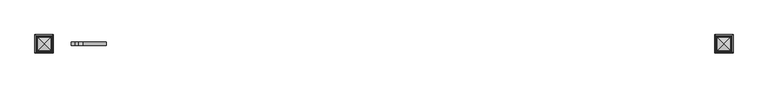
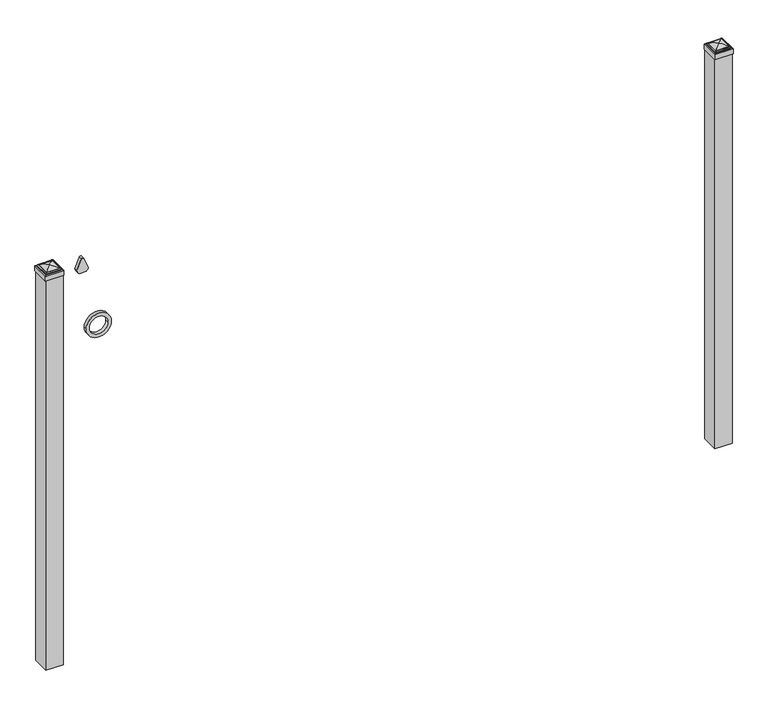
"""IFC4 building model written with IfcOpenShell, lengths in millimetres: railing geometry."""

from ifc_helpers import new_model, si_unit, point, frame, frame_2d, origin, origin_with_axes, place, context, project, spatial, polyline, circle_curve, ellipse_curve, trimmed, segment, composite_curve, outline, extrude, source, transform, mapped, element, save
from ifc_brep_helpers import plane_surface, cylinder_surface, advanced_brep


def railing_1047031c(model_context):
    return source(origin(), model_context, "Body", "SolidModel", [
        extrude(outline(composite_curve([segment(polyline([(1464.6798417, -23766.6899936), (1464.6798417, -23740.9993116)]), True, "CONTINUOUS"), segment(trimmed(circle_curve(frame_2d((1482.9299402, -23755.1622336)), 23.1009622), [point((1464.6798417, -23740.9993116))], [point((1477.4676176, -23732.7163545))], False, "CARTESIAN"), True, "CONTINUOUS"), segment(polyline([(1477.4676176, -23732.7163545), (1517.9555225, -23749.0355644)]), True, "CONTINUOUS"), segment(trimmed(circle_curve(frame_2d((1514.8045804, -23754.1655764)), 6.0204202), [point((1517.9555225, -23749.0355644))], [point((1517.9555225, -23759.2955884))], False, "CARTESIAN"), True, "CONTINUOUS"), segment(polyline([(1517.9555225, -23759.2955884), (1478.7339948, -23775.2437724)]), True, "CONTINUOUS"), segment(trimmed(circle_curve(frame_2d((1482.9299402, -23752.5270716)), 23.1009622), [point((1478.7339948, -23775.2437724))], [point((1464.6798417, -23766.6899936))], False, "CARTESIAN"), True, "CONTINUOUS")], self_intersect=False)), frame((0.0, 11886.569541, 0.0), z_axis=(0.0, 1.0, 0.0), x_axis=(0.0, 0.0, 1.0)), (0.0, 0.0, 1.0), 12.7),
        extrude(outline(composite_curve([segment(trimmed(circle_curve(frame_2d((1242.1853669, -23695.1942595)), 45.6988591), [point((1242.1853669, -23649.4954004))], [point((1242.1853669, -23740.8931186))], False, "CARTESIAN"), True, "CONTINUOUS"), segment(trimmed(circle_curve(frame_2d((1242.1853669, -23695.1942595)), 45.6988591), [point((1242.1853669, -23740.8931186))], [point((1242.1853669, -23649.4954004))], False, "CARTESIAN"), True, "CONTINUOUS")], self_intersect=False), holes=[composite_curve([segment(trimmed(circle_curve(frame_2d((1242.1853669, -23695.1942595)), 33.0443887), [point((1242.1853669, -23662.1498708))], [point((1242.1853669, -23728.2386482))], True, "CARTESIAN"), True, "CONTINUOUS"), segment(trimmed(circle_curve(frame_2d((1242.1853669, -23695.1942595)), 33.0443887), [point((1242.1853669, -23728.2386482))], [point((1242.1853669, -23662.1498708))], True, "CARTESIAN"), True, "CONTINUOUS")], self_intersect=False)]), frame((0.0, 11886.569541, 0.0), z_axis=(0.0, 1.0, 0.0), x_axis=(0.0, 0.0, 1.0)), (0.0, 0.0, 1.0), 12.7),
        extrude(outline(polyline([(-21401.3149936, 11924.669541), (-21401.3149936, 11861.169541), (-21464.8149936, 11861.169541), (-21464.8149936, 11924.669541), (-21401.3149936, 11924.669541)])), origin_with_axes(), (0.0, 0.0, 1.0), 1500.1875),
        advanced_brep(
        [(-21466.4024936, 11926.257041, 1518.44375), (-21466.4024936, 11926.257041, 1500.1875), (-21466.4024936, 11859.582041, 1500.1875), (-21466.4024936, 11859.582041, 1518.44375), (-21464.0212436, 11923.875791, 1520.825), (-21464.0212436, 11861.963291, 1520.825), (-21461.6399936, 11921.494541, 1523.20625), (-21461.6399936, 11921.494541, 1520.825), (-21461.6399936, 11864.344541, 1520.825), (-21461.6399936, 11864.344541, 1523.20625), (-21459.2587436, 11919.113291, 1525.5875), (-21459.2587436, 11866.725791, 1525.5875), (-21433.0649936, 11892.919541, 1531.9375), (-21456.8774936, 11916.732041, 1525.5875), (-21456.8774936, 11869.107041, 1525.5875), (-21399.7274936, 11859.582041, 1500.1875), (-21399.7274936, 11859.582041, 1518.44375), (-21402.1087436, 11861.963291, 1520.825), (-21404.4899936, 11864.344541, 1520.825), (-21404.4899936, 11864.344541, 1523.20625), (-21406.8712436, 11866.725791, 1525.5875), (-21409.2524936, 11869.107041, 1525.5875), (-21399.7274936, 11926.257041, 1500.1875), (-21399.7274936, 11926.257041, 1518.44375), (-21402.1087436, 11923.875791, 1520.825), (-21404.4899936, 11921.494541, 1520.825), (-21404.4899936, 11921.494541, 1523.20625), (-21406.8712436, 11919.113291, 1525.5875), (-21409.2524936, 11916.732041, 1525.5875)],
        [
            (0, 1),
            (1, 2),
            (2, 3),
            (3, 0),
            (4, 0, ellipse_curve(frame((-21464.0212436, 11923.875791, 1518.44375), z_axis=(-0.70710678118655, -0.7071067811865449, 0.0), x_axis=(-0.7071067811865448, 0.7071067811865501, 0.0)), 3.367596, 2.38125)),
            (3, 5, ellipse_curve(frame((-21464.0212436, 11861.963291, 1518.44375), z_axis=(-0.7071067811865449, 0.70710678118655, 0.0), x_axis=(0.7071067811865499, 0.707106781186545, 0.0)), 3.367596, 2.38125)),
            (5, 4),
            (6, 7),
            (7, 8),
            (8, 9),
            (9, 6),
            (10, 6, ellipse_curve(frame((-21459.2587436, 11919.113291, 1523.20625), z_axis=(-0.70710678118655, -0.7071067811865449, 0.0), x_axis=(-0.7071067811865448, 0.7071067811865501, 0.0)), 3.367596, 2.38125)),
            (9, 11, ellipse_curve(frame((-21459.2587436, 11866.725791, 1523.20625), z_axis=(-0.7071067811865449, 0.70710678118655, 0.0), x_axis=(0.7071067811865499, 0.707106781186545, 0.0)), 3.367596, 2.38125)),
            (11, 10),
            (12, 13, ellipse_curve(frame((-21433.0649936, 11892.919541, 1484.1140625), z_axis=(-0.70710678118655, -0.7071067811865449, 0.0), x_axis=(-0.7071067811865448, 0.7071067811865501, 0.0)), 67.6325539, 47.8234375)),
            (13, 14),
            (14, 12, ellipse_curve(frame((-21433.0649936, 11892.919541, 1484.1140625), z_axis=(-0.7071067811865449, 0.70710678118655, 0.0), x_axis=(0.7071067811865499, 0.707106781186545, 0.0)), 67.6325539, 47.8234375)),
            (2, 15),
            (15, 16),
            (16, 3),
            (16, 17, ellipse_curve(frame((-21402.1087436, 11861.963291, 1518.44375), z_axis=(-0.70710678118655, -0.707106781186545, 0.0), x_axis=(-0.707106781186545, 0.70710678118655, 0.0)), 3.367596, 2.38125)),
            (17, 5),
            (8, 18),
            (18, 19),
            (19, 9),
            (19, 20, ellipse_curve(frame((-21406.8712436, 11866.725791, 1523.20625), z_axis=(-0.70710678118655, -0.707106781186545, 0.0), x_axis=(-0.707106781186545, 0.70710678118655, 0.0)), 3.367596, 2.38125)),
            (20, 11),
            (14, 21),
            (21, 12, ellipse_curve(frame((-21433.0649936, 11892.919541, 1484.1140625), z_axis=(-0.70710678118655, -0.707106781186545, 0.0), x_axis=(-0.707106781186545, 0.70710678118655, 0.0)), 67.6325539, 47.8234375)),
            (15, 22),
            (22, 23),
            (23, 16),
            (23, 24, ellipse_curve(frame((-21402.1087436, 11923.875791, 1518.44375), z_axis=(0.707106781186545, -0.7071067811865499, 0.0), x_axis=(-0.7071067811865497, -0.7071067811865452, 0.0)), 3.367596, 2.38125)),
            (24, 17),
            (18, 25),
            (25, 26),
            (26, 19),
            (26, 27, ellipse_curve(frame((-21406.8712436, 11919.113291, 1523.20625), z_axis=(0.707106781186545, -0.7071067811865499, 0.0), x_axis=(-0.7071067811865497, -0.7071067811865452, 0.0)), 3.367596, 2.38125)),
            (27, 20),
            (21, 28),
            (28, 12, ellipse_curve(frame((-21433.0649936, 11892.919541, 1484.1140625), z_axis=(0.707106781186545, -0.7071067811865499, 0.0), x_axis=(-0.7071067811865497, -0.7071067811865452, 0.0)), 67.6325539, 47.8234375)),
            (22, 1),
            (0, 23),
            (4, 24),
            (7, 25),
            (6, 26),
            (10, 27),
            (13, 28),
        ],
        [
            plane_surface(frame((-21466.4024936, 11926.257041, 1500.1875), z_axis=(-1.0, 0.0, 0.0), x_axis=(0.0, -1.0, 0.0))),
            cylinder_surface(frame((-21464.0212436, 11924.669541, 1518.44375), z_axis=(0.0, 1.0, 0.0), x_axis=(1.0, 0.0, 0.0)), 2.38125),
            plane_surface(frame((-21461.6399936, 11921.494541, 1520.825), z_axis=(-1.0, 0.0, 0.0), x_axis=(0.0, -1.0, 0.0))),
            cylinder_surface(frame((-21459.2587436, 11924.669541, 1523.20625), z_axis=(0.0, 1.0, 0.0), x_axis=(1.0, 0.0, 0.0)), 2.38125),
            cylinder_surface(frame((-21433.0649936, 11924.669541, 1484.1140625), z_axis=(0.0, 1.0, 0.0), x_axis=(1.0, 0.0, 0.0)), 47.8234375),
            plane_surface(frame((-21466.4024936, 11859.582041, 1500.1875), z_axis=(0.0, -1.0, 0.0), x_axis=(1.0, 0.0, 0.0))),
            cylinder_surface(frame((-21464.8149936, 11861.963291, 1518.44375), z_axis=(-1.0, 0.0, 0.0), x_axis=(0.0, 1.0, 0.0)), 2.38125),
            plane_surface(frame((-21461.6399936, 11864.344541, 1520.825), z_axis=(0.0, -1.0, 0.0), x_axis=(1.0, 0.0, 0.0))),
            cylinder_surface(frame((-21464.8149936, 11866.725791, 1523.20625), z_axis=(-1.0, 0.0, 0.0), x_axis=(0.0, 1.0, 0.0)), 2.38125),
            cylinder_surface(frame((-21464.8149936, 11892.919541, 1484.1140625), z_axis=(-1.0, 0.0, 0.0), x_axis=(0.0, 1.0, 0.0)), 47.8234375),
            plane_surface(frame((-21399.7274936, 11859.582041, 1500.1875), z_axis=(1.0, 0.0, 0.0), x_axis=(0.0, 1.0, 0.0))),
            cylinder_surface(frame((-21402.1087436, 11861.169541, 1518.44375), z_axis=(0.0, -1.0, 0.0), x_axis=(-1.0, 0.0, 0.0)), 2.38125),
            plane_surface(frame((-21404.4899936, 11864.344541, 1520.825), z_axis=(1.0, 0.0, 0.0), x_axis=(0.0, 1.0, 0.0))),
            cylinder_surface(frame((-21406.8712436, 11861.169541, 1523.20625), z_axis=(0.0, -1.0, 0.0), x_axis=(-1.0, 0.0, 0.0)), 2.38125),
            cylinder_surface(frame((-21433.0649936, 11861.169541, 1484.1140625), z_axis=(0.0, -1.0, 0.0), x_axis=(-1.0, 0.0, 0.0)), 47.8234375),
            plane_surface(frame((-21399.7274936, 11926.257041, 1500.1875), z_axis=(0.0, 1.0, 0.0), x_axis=(-1.0, 0.0, 0.0))),
            cylinder_surface(frame((-21401.3149936, 11923.875791, 1518.44375), z_axis=(1.0, 0.0, 0.0), x_axis=(0.0, -1.0, 0.0)), 2.38125),
            plane_surface(frame((-21402.1087436, 11923.875791, 1520.825), z_axis=(0.0, 0.0, 1.0), x_axis=(-1.0, 0.0, 0.0))),
            plane_surface(frame((-21404.4899936, 11921.494541, 1520.825), z_axis=(0.0, 1.0, 0.0), x_axis=(-1.0, 0.0, 0.0))),
            cylinder_surface(frame((-21401.3149936, 11919.113291, 1523.20625), z_axis=(1.0, 0.0, 0.0), x_axis=(0.0, -1.0, 0.0)), 2.38125),
            plane_surface(frame((-21406.8712436, 11919.113291, 1525.5875), z_axis=(0.0, 0.0, 1.0), x_axis=(-1.0, 0.0, 0.0))),
            cylinder_surface(frame((-21401.3149936, 11892.919541, 1484.1140625), z_axis=(1.0, 0.0, 0.0), x_axis=(0.0, -1.0, 0.0)), 47.8234375),
            plane_surface(frame((-21433.0649936, 11892.919541, 1500.1875), z_axis=(0.0, 0.0, -1.0), x_axis=(-1.0, 0.0, 0.0))),
        ],
        [
            (0, [[1, 2, 3, 4]]),
            (1, [[5, -4, 6, 7]]),
            (2, [[8, 9, 10, 11]]),
            (3, [[12, -11, 13, 14]]),
            (4, [[15, 16, 17]]),
            (5, [[-3, 18, 19, 20]]),
            (6, [[-6, -20, 21, 22]]),
            (7, [[-10, 23, 24, 25]]),
            (8, [[-13, -25, 26, 27]]),
            (9, [[-17, 28, 29]]),
            (10, [[-19, 30, 31, 32]]),
            (11, [[-21, -32, 33, 34]]),
            (12, [[-24, 35, 36, 37]]),
            (13, [[-26, -37, 38, 39]]),
            (14, [[-29, 40, 41]]),
            (15, [[-31, 42, -1, 43]]),
            (16, [[-33, -43, -5, 44]]),
            (17, [[-22, -34, -44, -7], [45, -35, -23, -9]]),
            (18, [[-36, -45, -8, 46]]),
            (19, [[-38, -46, -12, 47]]),
            (20, [[-27, -39, -47, -14], [48, -40, -28, -16]]),
            (21, [[-41, -48, -15]]),
            (22, [[-42, -30, -18, -2]]),
        ],
    ),
        extrude(outline(polyline([(-23839.7149936, 11924.669541), (-23839.7149936, 11861.169541), (-23903.2149936, 11861.169541), (-23903.2149936, 11924.669541), (-23839.7149936, 11924.669541)])), origin_with_axes(), (0.0, 0.0, 1.0), 1500.1875),
        advanced_brep(
        [(-23904.8024936, 11926.257041, 1518.44375), (-23904.8024936, 11926.257041, 1500.1875), (-23904.8024936, 11859.582041, 1500.1875), (-23904.8024936, 11859.582041, 1518.44375), (-23902.4212436, 11923.875791, 1520.825), (-23902.4212436, 11861.963291, 1520.825), (-23900.0399936, 11921.494541, 1523.20625), (-23900.0399936, 11921.494541, 1520.825), (-23900.0399936, 11864.344541, 1520.825), (-23900.0399936, 11864.344541, 1523.20625), (-23897.6587436, 11919.113291, 1525.5875), (-23897.6587436, 11866.725791, 1525.5875), (-23871.4649936, 11892.919541, 1531.9375), (-23895.2774936, 11916.732041, 1525.5875), (-23895.2774936, 11869.107041, 1525.5875), (-23838.1274936, 11859.582041, 1500.1875), (-23838.1274936, 11859.582041, 1518.44375), (-23840.5087436, 11861.963291, 1520.825), (-23842.8899936, 11864.344541, 1520.825), (-23842.8899936, 11864.344541, 1523.20625), (-23845.2712436, 11866.725791, 1525.5875), (-23847.6524936, 11869.107041, 1525.5875), (-23838.1274936, 11926.257041, 1500.1875), (-23838.1274936, 11926.257041, 1518.44375), (-23840.5087436, 11923.875791, 1520.825), (-23842.8899936, 11921.494541, 1520.825), (-23842.8899936, 11921.494541, 1523.20625), (-23845.2712436, 11919.113291, 1525.5875), (-23847.6524936, 11916.732041, 1525.5875)],
        [
            (0, 1),
            (1, 2),
            (2, 3),
            (3, 0),
            (4, 0, ellipse_curve(frame((-23902.4212436, 11923.875791, 1518.44375), z_axis=(-0.70710678118655, -0.7071067811865449, 0.0), x_axis=(-0.7071067811865448, 0.7071067811865501, 0.0)), 3.367596, 2.38125)),
            (3, 5, ellipse_curve(frame((-23902.4212436, 11861.963291, 1518.44375), z_axis=(-0.7071067811865449, 0.70710678118655, 0.0), x_axis=(0.7071067811865499, 0.707106781186545, 0.0)), 3.367596, 2.38125)),
            (5, 4),
            (6, 7),
            (7, 8),
            (8, 9),
            (9, 6),
            (10, 6, ellipse_curve(frame((-23897.6587436, 11919.113291, 1523.20625), z_axis=(-0.70710678118655, -0.7071067811865449, 0.0), x_axis=(-0.7071067811865448, 0.7071067811865501, 0.0)), 3.367596, 2.38125)),
            (9, 11, ellipse_curve(frame((-23897.6587436, 11866.725791, 1523.20625), z_axis=(-0.7071067811865449, 0.70710678118655, 0.0), x_axis=(0.7071067811865499, 0.707106781186545, 0.0)), 3.367596, 2.38125)),
            (11, 10),
            (12, 13, ellipse_curve(frame((-23871.4649936, 11892.919541, 1484.1140625), z_axis=(-0.70710678118655, -0.7071067811865449, 0.0), x_axis=(-0.7071067811865448, 0.7071067811865501, 0.0)), 67.6325539, 47.8234375)),
            (13, 14),
            (14, 12, ellipse_curve(frame((-23871.4649936, 11892.919541, 1484.1140625), z_axis=(-0.7071067811865449, 0.70710678118655, 0.0), x_axis=(0.7071067811865499, 0.707106781186545, 0.0)), 67.6325539, 47.8234375)),
            (2, 15),
            (15, 16),
            (16, 3),
            (16, 17, ellipse_curve(frame((-23840.5087436, 11861.963291, 1518.44375), z_axis=(-0.70710678118655, -0.707106781186545, 0.0), x_axis=(-0.707106781186545, 0.70710678118655, 0.0)), 3.367596, 2.38125)),
            (17, 5),
            (8, 18),
            (18, 19),
            (19, 9),
            (19, 20, ellipse_curve(frame((-23845.2712436, 11866.725791, 1523.20625), z_axis=(-0.70710678118655, -0.707106781186545, 0.0), x_axis=(-0.707106781186545, 0.70710678118655, 0.0)), 3.367596, 2.38125)),
            (20, 11),
            (14, 21),
            (21, 12, ellipse_curve(frame((-23871.4649936, 11892.919541, 1484.1140625), z_axis=(-0.70710678118655, -0.707106781186545, 0.0), x_axis=(-0.707106781186545, 0.70710678118655, 0.0)), 67.6325539, 47.8234375)),
            (15, 22),
            (22, 23),
            (23, 16),
            (23, 24, ellipse_curve(frame((-23840.5087436, 11923.875791, 1518.44375), z_axis=(0.707106781186545, -0.7071067811865499, 0.0), x_axis=(-0.7071067811865497, -0.7071067811865452, 0.0)), 3.367596, 2.38125)),
            (24, 17),
            (18, 25),
            (25, 26),
            (26, 19),
            (26, 27, ellipse_curve(frame((-23845.2712436, 11919.113291, 1523.20625), z_axis=(0.707106781186545, -0.7071067811865499, 0.0), x_axis=(-0.7071067811865497, -0.7071067811865452, 0.0)), 3.367596, 2.38125)),
            (27, 20),
            (21, 28),
            (28, 12, ellipse_curve(frame((-23871.4649936, 11892.919541, 1484.1140625), z_axis=(0.707106781186545, -0.7071067811865499, 0.0), x_axis=(-0.7071067811865497, -0.7071067811865452, 0.0)), 67.6325539, 47.8234375)),
            (22, 1),
            (0, 23),
            (4, 24),
            (7, 25),
            (6, 26),
            (10, 27),
            (13, 28),
        ],
        [
            plane_surface(frame((-23904.8024936, 11926.257041, 1500.1875), z_axis=(-1.0, 0.0, 0.0), x_axis=(0.0, -1.0, 0.0))),
            cylinder_surface(frame((-23902.4212436, 11924.669541, 1518.44375), z_axis=(0.0, 1.0, 0.0), x_axis=(1.0, 0.0, 0.0)), 2.38125),
            plane_surface(frame((-23900.0399936, 11921.494541, 1520.825), z_axis=(-1.0, 0.0, 0.0), x_axis=(0.0, -1.0, 0.0))),
            cylinder_surface(frame((-23897.6587436, 11924.669541, 1523.20625), z_axis=(0.0, 1.0, 0.0), x_axis=(1.0, 0.0, 0.0)), 2.38125),
            cylinder_surface(frame((-23871.4649936, 11924.669541, 1484.1140625), z_axis=(0.0, 1.0, 0.0), x_axis=(1.0, 0.0, 0.0)), 47.8234375),
            plane_surface(frame((-23904.8024936, 11859.582041, 1500.1875), z_axis=(0.0, -1.0, 0.0), x_axis=(1.0, 0.0, 0.0))),
            cylinder_surface(frame((-23903.2149936, 11861.963291, 1518.44375), z_axis=(-1.0, 0.0, 0.0), x_axis=(0.0, 1.0, 0.0)), 2.38125),
            plane_surface(frame((-23900.0399936, 11864.344541, 1520.825), z_axis=(0.0, -1.0, 0.0), x_axis=(1.0, 0.0, 0.0))),
            cylinder_surface(frame((-23903.2149936, 11866.725791, 1523.20625), z_axis=(-1.0, 0.0, 0.0), x_axis=(0.0, 1.0, 0.0)), 2.38125),
            cylinder_surface(frame((-23903.2149936, 11892.919541, 1484.1140625), z_axis=(-1.0, 0.0, 0.0), x_axis=(0.0, 1.0, 0.0)), 47.8234375),
            plane_surface(frame((-23838.1274936, 11859.582041, 1500.1875), z_axis=(1.0, 0.0, 0.0), x_axis=(0.0, 1.0, 0.0))),
            cylinder_surface(frame((-23840.5087436, 11861.169541, 1518.44375), z_axis=(0.0, -1.0, 0.0), x_axis=(-1.0, 0.0, 0.0)), 2.38125),
            plane_surface(frame((-23842.8899936, 11864.344541, 1520.825), z_axis=(1.0, 0.0, 0.0), x_axis=(0.0, 1.0, 0.0))),
            cylinder_surface(frame((-23845.2712436, 11861.169541, 1523.20625), z_axis=(0.0, -1.0, 0.0), x_axis=(-1.0, 0.0, 0.0)), 2.38125),
            cylinder_surface(frame((-23871.4649936, 11861.169541, 1484.1140625), z_axis=(0.0, -1.0, 0.0), x_axis=(-1.0, 0.0, 0.0)), 47.8234375),
            plane_surface(frame((-23838.1274936, 11926.257041, 1500.1875), z_axis=(0.0, 1.0, 0.0), x_axis=(-1.0, 0.0, 0.0))),
            cylinder_surface(frame((-23839.7149936, 11923.875791, 1518.44375), z_axis=(1.0, 0.0, 0.0), x_axis=(0.0, -1.0, 0.0)), 2.38125),
            plane_surface(frame((-23840.5087436, 11923.875791, 1520.825), z_axis=(0.0, 0.0, 1.0), x_axis=(-1.0, 0.0, 0.0))),
            plane_surface(frame((-23842.8899936, 11921.494541, 1520.825), z_axis=(0.0, 1.0, 0.0), x_axis=(-1.0, 0.0, 0.0))),
            cylinder_surface(frame((-23839.7149936, 11919.113291, 1523.20625), z_axis=(1.0, 0.0, 0.0), x_axis=(0.0, -1.0, 0.0)), 2.38125),
            plane_surface(frame((-23845.2712436, 11919.113291, 1525.5875), z_axis=(0.0, 0.0, 1.0), x_axis=(-1.0, 0.0, 0.0))),
            cylinder_surface(frame((-23839.7149936, 11892.919541, 1484.1140625), z_axis=(1.0, 0.0, 0.0), x_axis=(0.0, -1.0, 0.0)), 47.8234375),
            plane_surface(frame((-23871.4649936, 11892.919541, 1500.1875), z_axis=(0.0, 0.0, -1.0), x_axis=(-1.0, 0.0, 0.0))),
        ],
        [
            (0, [[1, 2, 3, 4]]),
            (1, [[5, -4, 6, 7]]),
            (2, [[8, 9, 10, 11]]),
            (3, [[12, -11, 13, 14]]),
            (4, [[15, 16, 17]]),
            (5, [[-3, 18, 19, 20]]),
            (6, [[-6, -20, 21, 22]]),
            (7, [[-10, 23, 24, 25]]),
            (8, [[-13, -25, 26, 27]]),
            (9, [[-17, 28, 29]]),
            (10, [[-19, 30, 31, 32]]),
            (11, [[-21, -32, 33, 34]]),
            (12, [[-24, 35, 36, 37]]),
            (13, [[-26, -37, 38, 39]]),
            (14, [[-29, 40, 41]]),
            (15, [[-31, 42, -1, 43]]),
            (16, [[-33, -43, -5, 44]]),
            (17, [[-22, -34, -44, -7], [45, -35, -23, -9]]),
            (18, [[-36, -45, -8, 46]]),
            (19, [[-38, -46, -12, 47]]),
            (20, [[-27, -39, -47, -14], [48, -40, -28, -16]]),
            (21, [[-41, -48, -15]]),
            (22, [[-42, -30, -18, -2]]),
        ],
    ),
    ])


if __name__ == "__main__":
    model = new_model("IFC4")
    model_context = context("Model", 3, world=origin())
    ifc_project = project(units=[si_unit("LENGTHUNIT", "METRE", prefix="MILLI")], contexts=[model_context])
    site = spatial("IfcSite", under=ifc_project)
    building = spatial("IfcBuilding", under=site)
    placement = place(None, origin())
    railing_shape = railing_1047031c(model_context)
    element("IfcRailing", 1, at=placement, inside=building, context=model_context, shape_type="MappedRepresentation", body=[
        mapped(railing_shape, transform((0.0, 0.0, 0.0), x_axis=(1.0, 0.0, 0.0), y_axis=(0.0, 1.0, 0.0), z_axis=(0.0, 0.0, 1.0))),
    ])
    save(model, "model.ifc")
